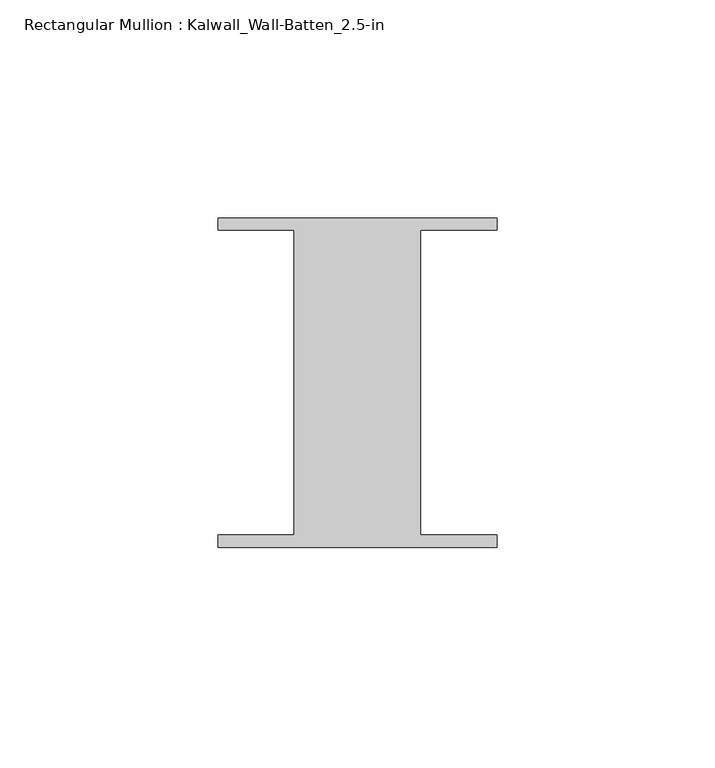
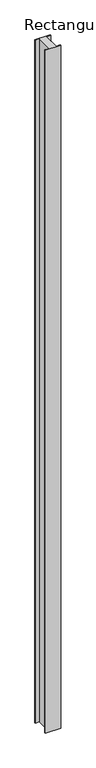
"""IFC4 building model written with IfcOpenShell, lengths in millimetres: member geometry, Rectangular Mullion : Kalwall_Wall-Batten_2.5-in."""

import ifcopenshell
import ifcopenshell.guid

model = None  # the IFC model being written
_history = None  # IfcOwnerHistory: only IFC2X3 demands one
_inside = {}  # id of a spatial element -> (the spatial element, [elements in it])
_under = {}  # id of a project, library or spatial element -> (it, [spatial elements below it])
_declared = {}  # id of a project -> (the project, [libraries it declares])
_typed = {}  # id of a type object -> (the type object, [elements of that type])
_made_of = {}  # id of a material, layer set ... -> (it, [elements and type objects made of it])


def new_model(schema):
    """Start an empty IFC model of exactly this schema.

    Asked for "IFC4X3", IfcOpenShell would pick the latest addendum, in which some entities
    have other attributes; the version numbers below select the first issue.
    IFC2X3 requires an IfcOwnerHistory on every rooted entity: one is made here for all.
    """
    global model, _history
    if schema == "IFC4X3":
        model = ifcopenshell.file(schema_version=(4, 3, 0, 0))
    else:
        model = ifcopenshell.file(schema=schema)
    _inside.clear()
    _under.clear()
    _declared.clear()
    _typed.clear()
    _made_of.clear()
    _history = None
    if model.schema == "IFC2X3":
        org = make("IfcOrganization", Name="unknown")
        user = make(
            "IfcPersonAndOrganization",
            ThePerson=make("IfcPerson", FamilyName="unknown"),
            TheOrganization=org,
        )
        app = make(
            "IfcApplication",
            ApplicationDeveloper=org,
            Version="unknown",
            ApplicationFullName="unknown",
            ApplicationIdentifier="unknown",
        )
        _history = make(
            "IfcOwnerHistory",
            OwningUser=user,
            OwningApplication=app,
            ChangeAction="ADDED",
            CreationDate=0,
        )
    return model


def make(cls, **values):
    """One entity of the class cls with the attributes given. An attribute that is None is left unset."""
    return model.create_entity(
        cls, **{name: value for name, value in values.items() if value is not None}
    )


def rooted(cls, **values):
    """An entity with a GlobalId (a new one), such as an element, a storey or a relation."""
    return make(cls, GlobalId=ifcopenshell.guid.new(), OwnerHistory=_history, **values)


def si_unit(unit_type, name, prefix=None):
    """IfcSIUnit, for example si_unit("LENGTHUNIT", "METRE", prefix="MILLI")."""
    return make("IfcSIUnit", UnitType=unit_type, Prefix=prefix, Name=name)


def assignment(units):
    """IfcUnitAssignment: the units of a project."""
    return None if units is None else make("IfcUnitAssignment", Units=units)


def point(xyz):
    """IfcCartesianPoint."""
    return None if xyz is None else make("IfcCartesianPoint", Coordinates=xyz)


def direction(xyz):
    """IfcDirection."""
    return None if xyz is None else make("IfcDirection", DirectionRatios=xyz)


def frame(location, z_axis=None, x_axis=None):
    """IfcAxis2Placement3D, a coordinate frame: its origin and axes. An axis left out is left unset."""
    return make(
        "IfcAxis2Placement3D",
        Location=point(location),
        Axis=direction(z_axis),
        RefDirection=direction(x_axis),
    )


def origin():
    """The frame at (0, 0, 0) with its axes left unset."""
    return frame((0.0, 0.0, 0.0))


def place(relative_to, where):
    """IfcLocalPlacement: puts the frame where relative to a parent placement (None: the world)."""
    return make(
        "IfcLocalPlacement", PlacementRelTo=relative_to, RelativePlacement=where
    )


def context(
    kind, dimensions, precision=None, world=None, true_north=None, identifier=None
):
    """IfcGeometricRepresentationContext, for example the 3D "Model" context."""
    return make(
        "IfcGeometricRepresentationContext",
        ContextIdentifier=identifier,
        ContextType=kind,
        CoordinateSpaceDimension=dimensions,
        Precision=precision,
        WorldCoordinateSystem=world,
        TrueNorth=true_north,
    )


def project(units=None, contexts=None):
    """IfcProject with its units and contexts."""
    return rooted(
        "IfcProject",
        Name="project",
        RepresentationContexts=contexts,
        UnitsInContext=assignment(units),
    )


def spatial(cls, under=None, at=None, **own):
    """A site, building, storey or space (cls), placed at a placement, below another one or the project."""
    s = rooted(cls, ObjectPlacement=at, **own)
    if under is not None:
        _under.setdefault(under.id(), (under, []))[1].append(s)
    return s


def polyline(points):
    """IfcPolyline through the points."""
    return make("IfcPolyline", Points=[point(p) for p in points])


def outline(outer, holes=None, kind="AREA"):
    """IfcArbitraryClosedProfileDef: a profile drawn as a closed curve; with holes, ...WithVoids."""
    if holes is None:
        return make("IfcArbitraryClosedProfileDef", ProfileType=kind, OuterCurve=outer)
    return make(
        "IfcArbitraryProfileDefWithVoids",
        ProfileType=kind,
        OuterCurve=outer,
        InnerCurves=holes,
    )


def extrude(swept, where, along, depth):
    """IfcExtrudedAreaSolid: the profile swept, set in the frame where, extruded along a direction by depth."""
    return make(
        "IfcExtrudedAreaSolid",
        SweptArea=swept,
        Position=where,
        ExtrudedDirection=direction(along),
        Depth=depth,
    )


def shape(context_of_items, identifier, shape_type, items):
    """IfcShapeRepresentation: the items that make up one representation, for example the "Body"."""
    return make(
        "IfcShapeRepresentation",
        ContextOfItems=context_of_items,
        RepresentationIdentifier=identifier,
        RepresentationType=shape_type,
        Items=items,
    )


def source(mapping_origin, context_of_items, identifier, shape_type, items):
    """IfcRepresentationMap: a shape defined once, which mapped items show again and again."""
    return make(
        "IfcRepresentationMap",
        MappingOrigin=mapping_origin,
        MappedRepresentation=shape(context_of_items, identifier, shape_type, items),
    )


def transform(
    local_origin,
    x_axis=None,
    y_axis=None,
    z_axis=None,
    scale=None,
    scale2=None,
    scale3=None,
    uniform=True,
):
    """IfcCartesianTransformationOperator3D, or its non-uniform kind. x_axis, y_axis, z_axis: its Axis1, 2, 3."""
    if uniform:
        return make(
            "IfcCartesianTransformationOperator3D",
            Axis1=direction(x_axis),
            Axis2=direction(y_axis),
            LocalOrigin=point(local_origin),
            Scale=scale,
            Axis3=direction(z_axis),
        )
    return make(
        "IfcCartesianTransformationOperator3DnonUniform",
        Axis1=direction(x_axis),
        Axis2=direction(y_axis),
        LocalOrigin=point(local_origin),
        Scale=scale,
        Axis3=direction(z_axis),
        Scale2=scale2,
        Scale3=scale3,
    )


def mapped(mapping_source, mapping_target):
    """IfcMappedItem: shows the shape of a source again, moved by a transform."""
    return make(
        "IfcMappedItem", MappingSource=mapping_source, MappingTarget=mapping_target
    )


def made_of(thing, what):
    """Note that an element or type object is made of a material, layer set ...; save() writes the relation."""
    if what is not None:
        _made_of.setdefault(what.id(), (what, []))[1].append(thing)
    return thing


def element(
    cls,
    number,
    at=None,
    inside=None,
    cuts=None,
    type_object=None,
    material=None,
    context=None,
    identifier="Body",
    shape_type=None,
    held_by="IfcProductDefinitionShape",
    body=None,
    shapes=None,
    **own,
):
    """One element of the class cls, such as IfcWall. Its Tag is "e" and its number.

    at: its placement. inside: the storey or other place that contains it. cuts: it is an
    opening in that element (IfcRelVoidsElement). A single representation is given by context,
    identifier, shape_type and body (its items); several are given by shapes. held_by: the class
    of the entity that holds the representations. save() writes the other relations.
    """
    e = rooted(cls, Tag="e%d" % number, ObjectPlacement=at, **own)
    if body is not None:
        shapes = [shape(context, identifier, shape_type, body)]
    if shapes is not None:
        e.Representation = make(held_by, Representations=shapes)
    if inside is not None:
        _inside.setdefault(inside.id(), (inside, []))[1].append(e)
    if cuts is not None:
        rooted(
            "IfcRelVoidsElement", RelatingBuildingElement=cuts, RelatedOpeningElement=e
        )
    if type_object is not None:
        _typed.setdefault(type_object.id(), (type_object, []))[1].append(e)
    return made_of(e, material)


def aggregate(whole, parts):
    """IfcRelAggregates: a whole, such as a stair, and the parts it consists of."""
    return rooted("IfcRelAggregates", RelatingObject=whole, RelatedObjects=parts)


def save(model, path):
    """Write the relations noted so far, then the file.

    IfcRelAggregates (storeys below a building ...), IfcRelContainedInSpatialStructure (elements
    in a storey), IfcRelDefinesByType, IfcRelAssociatesMaterial and IfcRelDeclares: one each for
    every whole, place, type object, material and project.
    """
    for whole, parts in _under.values():
        aggregate(whole, parts)
    for where, things in _inside.values():
        rooted(
            "IfcRelContainedInSpatialStructure",
            RelatedElements=things,
            RelatingStructure=where,
        )
    for kind, things in _typed.values():
        rooted("IfcRelDefinesByType", RelatedObjects=things, RelatingType=kind)
    for what, things in _made_of.values():
        rooted("IfcRelAssociatesMaterial", RelatedObjects=things, RelatingMaterial=what)
    for by, libraries in _declared.values():
        rooted("IfcRelDeclares", RelatingContext=by, RelatedDefinitions=libraries)
    model.write(path)


def rectangular_mullion_kalwall_wall_batten_2_5_in_90018fd7(model_context):
    return source(origin(), model_context, "Body", "SweptSolid", [
        extrude(outline(polyline([(-32.0, 36.524), (32.0, 36.524), (32.0, 33.73), (14.5, 33.73), (14.5, -36.27), (32.0, -36.27), (32.0, -39.064), (-32.0, -39.064), (-32.0, -36.27), (-14.5, -36.27), (-14.5, 33.73), (-32.0, 33.73), (-32.0, 36.524)])), frame((0.0, 0.0, -3013.075), z_axis=(0.0, 0.0, 1.0), x_axis=(1.0, 0.0, 0.0)), (0.0, 0.0, 1.0), 3013.075),
    ])


if __name__ == "__main__":
    model = new_model("IFC4")
    model_context = context("Model", 3, world=origin())
    ifc_project = project(units=[si_unit("LENGTHUNIT", "METRE", prefix="MILLI")], contexts=[model_context])
    site = spatial("IfcSite", under=ifc_project)
    building = spatial("IfcBuilding", under=site)
    placement = place(None, origin())
    rectangular_mullion_kalwall_wall_batten_2_5_in_shape = rectangular_mullion_kalwall_wall_batten_2_5_in_90018fd7(model_context)
    element("IfcMember", 1, ObjectType="Rectangular Mullion : Kalwall_Wall-Batten_2.5-in", at=placement, inside=building, context=model_context, shape_type="MappedRepresentation", body=[
        mapped(rectangular_mullion_kalwall_wall_batten_2_5_in_shape, transform((0.0, 0.0, 0.0), x_axis=(1.0, 0.0, 0.0), y_axis=(0.0, 1.0, 0.0), z_axis=(0.0, 0.0, 1.0))),
    ])
    save(model, "model.ifc")
